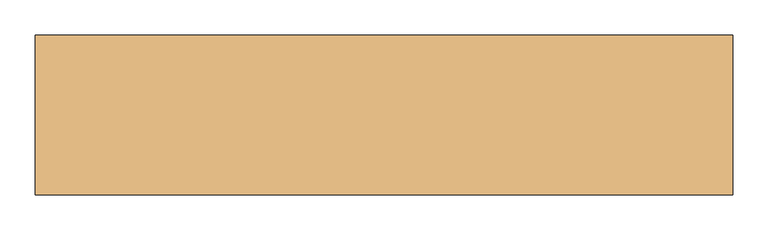
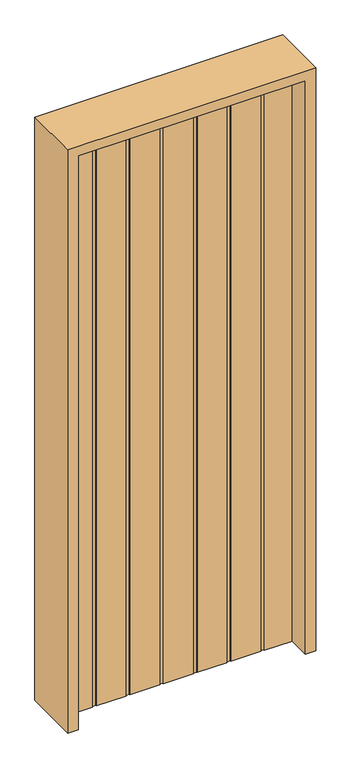
"""IFC4 building model written with IfcOpenShell, lengths in millimetres: door geometry."""

from ifc_helpers import new_model, si_unit, frame, origin, origin_with_axes, place, context, project, spatial, polyline, outline, extrude, source, transform, mapped, element, save


def door_a02cbd36(model_context):
    return source(origin(), model_context, "Body", "SweptSolid", [
        extrude(outline(polyline([(-457.2, -20.6375), (-457.2, 20.6375), (-345.9757813, 20.6375), (-345.9757813, 17.4625), (-330.6960938, 17.4625), (-330.6960938, 20.6375), (-210.6414063, 20.6375), (-210.6414063, 17.4625), (-195.3617188, 17.4625), (-195.3617188, 20.6375), (-75.3070313, 20.6375), (-75.3070313, 17.4625), (-60.0273438, 17.4625), (-60.0273438, 20.6375), (60.0273437, 20.6375), (60.0273437, 17.4625), (75.3070312, 17.4625), (75.3070312, 20.6375), (195.3617187, 20.6375), (195.3617187, 17.4625), (210.6414062, 17.4625), (210.6414062, 20.6375), (330.6960937, 20.6375), (330.6960937, 17.4625), (345.9757812, 17.4625), (345.9757812, 20.6375), (457.2, 20.6375), (457.2, -20.6375), (345.9757812, -20.6375), (345.9757812, -17.4625), (330.6960937, -17.4625), (330.6960937, -20.6375), (210.6414062, -20.6375), (210.6414062, -17.4625), (195.3617187, -17.4625), (195.3617187, -20.6375), (75.3070312, -20.6375), (75.3070312, -17.4625), (60.0273437, -17.4625), (60.0273437, -20.6375), (-60.0273438, -20.6375), (-60.0273438, -17.4625), (-75.3070313, -17.4625), (-75.3070313, -20.6375), (-195.3617188, -20.6375), (-195.3617188, -17.4625), (-210.6414063, -17.4625), (-210.6414063, -20.6375), (-330.6960938, -20.6375), (-330.6960938, -17.4625), (-345.9757813, -17.4625), (-345.9757813, -20.6375), (-457.2, -20.6375)])), origin_with_axes(), (0.0, 0.0, 1.0), 2438.4),
        extrude(outline(polyline([(2479.675, -498.475), (0.0, -498.475), (0.0, -457.2), (2438.4, -457.2), (2438.4, 457.2), (0.0, 457.2), (0.0, 498.475), (2479.675, 498.475), (2479.675, -498.475)])), frame((0.0, -114.3, 0.0), z_axis=(0.0, 1.0, 0.0), x_axis=(0.0, 0.0, 1.0)), (0.0, 0.0, 1.0), 228.6),
    ])


if __name__ == "__main__":
    model = new_model("IFC4")
    model_context = context("Model", 3, world=origin())
    ifc_project = project(units=[si_unit("LENGTHUNIT", "METRE", prefix="MILLI")], contexts=[model_context])
    site = spatial("IfcSite", under=ifc_project)
    building = spatial("IfcBuilding", under=site)
    placement = place(None, origin())
    door_shape = door_a02cbd36(model_context)
    element("IfcDoor", 1, at=placement, inside=building, context=model_context, shape_type="MappedRepresentation", body=[
        mapped(door_shape, transform((0.0, 0.0, 0.0), x_axis=(1.0, 0.0, 0.0), y_axis=(0.0, 1.0, 0.0), z_axis=(0.0, 0.0, 1.0))),
    ])
    save(model, "model.ifc")
